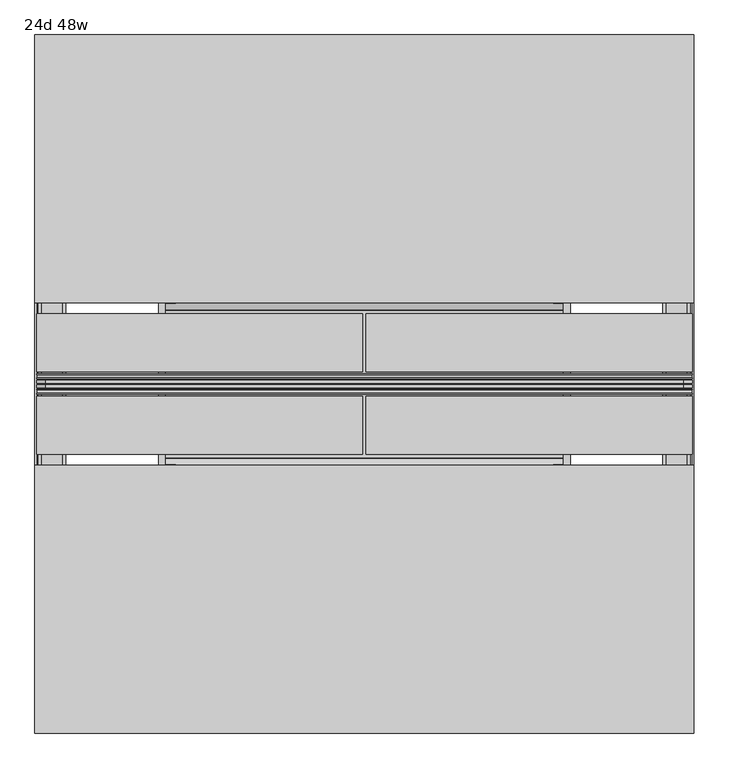
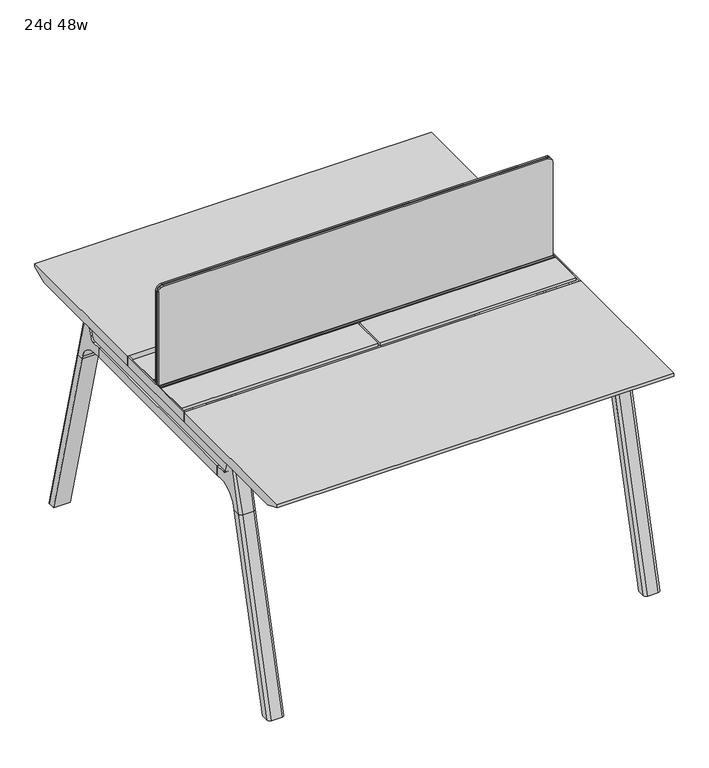
"""IFC4 building model written with IfcOpenShell, lengths in millimetres: furniture geometry, 24d 48w."""

from ifc_helpers import new_model, si_unit, point, frame, frame_2d, origin, place, context, project, spatial, polyline, circle_curve, ellipse_curve, trimmed, segment, composite_curve, outline, extrude, source, transform, mapped, element, save
from ifc_brep_helpers import plane_surface, cylinder_surface, revolved_surface, advanced_brep


def furniture_24d_48w_6e816f63(model_context):
    return source(origin(), model_context, "Body", "SolidModel", [
        extrude(outline(composite_curve([segment(polyline([(1054.89375, 803.275), (1054.89375, -371.475)]), True, "CONTINUOUS"), segment(trimmed(circle_curve(frame_2d((1039.01875, -371.475)), 15.875), [point((1054.89375, -371.475))], [point((1039.01875, -387.35))], False, "CARTESIAN"), True, "CONTINUOUS"), segment(polyline([(1039.01875, -387.35), (720.725, -387.35), (720.725, 819.15), (1039.01875, 819.15)]), True, "CONTINUOUS"), segment(trimmed(circle_curve(frame_2d((1039.01875, 803.275)), 15.875), [point((1039.01875, 819.15))], [point((1054.89375, 803.275))], False, "CARTESIAN"), True, "CONTINUOUS")], self_intersect=False)), frame((0.0, -201.3409766, 0.0), z_axis=(0.0, 1.0, 0.0), x_axis=(0.0, 0.0, 1.0)), (0.0, 0.0, 1.0), 3.175),
        extrude(outline(composite_curve([segment(polyline([(1058.06875, 806.45), (1058.06875, -374.65)]), True, "CONTINUOUS"), segment(trimmed(circle_curve(frame_2d((1042.19375, -374.65)), 15.875), [point((1058.06875, -374.65))], [point((1042.19375, -390.525))], False, "CARTESIAN"), True, "CONTINUOUS"), segment(polyline([(1042.19375, -390.525), (717.55, -390.525), (717.55, 822.325), (1042.19375, 822.325)]), True, "CONTINUOUS"), segment(trimmed(circle_curve(frame_2d((1042.19375, 806.45)), 15.875), [point((1042.19375, 822.325))], [point((1058.06875, 806.45))], False, "CARTESIAN"), True, "CONTINUOUS")], self_intersect=False)), frame((0.0, -198.1659766, 0.0), z_axis=(0.0, 1.0, 0.0), x_axis=(0.0, 0.0, 1.0)), (0.0, 0.0, 1.0), 5.55625),
        extrude(outline(composite_curve([segment(polyline([(1058.06875, 806.45), (1058.06875, -374.65)]), True, "CONTINUOUS"), segment(trimmed(circle_curve(frame_2d((1042.19375, -374.65)), 15.875), [point((1058.06875, -374.65))], [point((1042.19375, -390.525))], False, "CARTESIAN"), True, "CONTINUOUS"), segment(polyline([(1042.19375, -390.525), (717.55, -390.525), (717.55, 822.325), (1042.19375, 822.325)]), True, "CONTINUOUS"), segment(trimmed(circle_curve(frame_2d((1042.19375, 806.45)), 15.875), [point((1042.19375, 822.325))], [point((1058.06875, 806.45))], False, "CARTESIAN"), True, "CONTINUOUS")], self_intersect=False)), frame((0.0, -206.8972266, 0.0), z_axis=(0.0, 1.0, 0.0), x_axis=(0.0, 0.0, 1.0)), (0.0, 0.0, 1.0), 5.55625),
        extrude(outline(polyline([(-348.9784469, 559.4636683), (-364.040663, 627.7843353), (-35.4662901, 627.7843353), (-50.5285062, 559.4636683), (-46.7502281, 557.2647146), (-46.7502281, 549.3667827), (-62.6252238, 521.8704736), (-336.8817293, 521.8704736), (-352.756725, 549.3667827), (-352.756725, 557.2647146), (-348.9784469, 559.4636683)])), frame((584.2, 0.0, 0.0), z_axis=(1.0, 0.0, 0.0), x_axis=(0.0, 1.0, 0.0)), (0.0, 0.0, 1.0), 12.7),
        extrude(outline(polyline([(-348.9784469, 559.4636683), (-364.040663, 627.7843353), (-35.4662901, 627.7843353), (-50.5285062, 559.4636683), (-46.7502281, 557.2647146), (-46.7502281, 549.3667827), (-62.6252238, 521.8704736), (-336.8817293, 521.8704736), (-352.756725, 549.3667827), (-352.756725, 557.2647146), (-348.9784469, 559.4636683)])), frame((-165.1, 0.0, 0.0), z_axis=(1.0, 0.0, 0.0), x_axis=(0.0, 1.0, 0.0)), (0.0, 0.0, 1.0), 12.7),
        extrude(outline(polyline([(-18.0090763, 698.5), (3.7767266, 698.5), (3.7767266, 697.2935087), (-17.4495292, 697.2935087), (-19.0070753, 695.7359626), (-49.1186716, 559.1528512), (-50.5285062, 559.4636683), (-20.404074, 696.1050023), (-18.0090763, 698.5)])), frame((-165.1, 0.0, 0.0), z_axis=(1.0, 0.0, 0.0), x_axis=(0.0, 1.0, 0.0)), (0.0, 0.0, 1.0), 31.8008024),
        extrude(outline(polyline([(-381.4978768, 698.5), (-379.1028791, 696.1050023), (-348.9784469, 559.4636683), (-350.3882815, 559.1528512), (-380.4998778, 695.7359626), (-382.0574239, 697.2935087), (-403.2836797, 697.2935087), (-403.2836797, 698.5), (-381.4978768, 698.5)])), frame((-165.1, 0.0, 0.0), z_axis=(1.0, 0.0, 0.0), x_axis=(0.0, 1.0, 0.0)), (0.0, 0.0, 1.0), 31.8008024),
        extrude(outline(polyline([(-18.0090763, 698.5), (3.7767266, 698.5), (3.7767266, 697.2935087), (-17.4495292, 697.2935087), (-19.0070753, 695.7359626), (-49.1186716, 559.1528512), (-50.5285062, 559.4636683), (-20.404074, 696.1050023), (-18.0090763, 698.5)])), frame((565.0991976, 0.0, 0.0), z_axis=(1.0, 0.0, 0.0), x_axis=(0.0, 1.0, 0.0)), (0.0, 0.0, 1.0), 31.8008024),
        extrude(outline(polyline([(-381.4978768, 698.5), (-379.1028791, 696.1050023), (-348.9784469, 559.4636683), (-350.3882815, 559.1528512), (-380.4998778, 695.7359626), (-382.0574239, 697.2935087), (-403.2836797, 697.2935087), (-403.2836797, 698.5), (-381.4978768, 698.5)])), frame((565.0991976, 0.0, 0.0), z_axis=(1.0, 0.0, 0.0), x_axis=(0.0, 1.0, 0.0)), (0.0, 0.0, 1.0), 31.8008024),
        extrude(outline(polyline([(-353.550475, 557.5934966), (-351.518477, 559.6254947), (-350.957211, 559.0642287), (-352.756725, 557.2647146), (-352.756725, 549.3667827), (-352.5317745, 548.5272622), (-337.4390802, 522.3859395), (-336.0037101, 521.5572272), (-63.503243, 521.5572272), (-62.0678729, 522.3859395), (-46.9751786, 548.5272622), (-46.7502281, 549.3667827), (-46.7502281, 557.2647146), (-48.5497421, 559.0642287), (-47.9884761, 559.6254947), (-45.9564781, 557.5934966), (-45.9564781, 549.2622828), (-46.2355217, 548.2208856), (-61.4868074, 521.8048744), (-63.2905581, 520.7634772), (-336.216395, 520.7634772), (-338.0201457, 521.8048744), (-353.2714314, 548.2208856), (-353.550475, 549.2622828), (-353.550475, 557.5934966)])), frame((-165.0492037, 0.0, 0.0), z_axis=(1.0, 0.0, 0.0), x_axis=(0.0, 1.0, 0.0)), (0.0, 0.0, 1.0), 761.9492037),
        extrude(outline(polyline([(-218.8034766, 715.9625), (-218.8034766, 741.3625), (-217.2159766, 741.3625), (-217.2159766, 720.725), (-210.8659766, 720.725), (-210.8659766, 741.3625), (-209.2784766, 741.3625), (-209.2784766, 717.55), (-190.2284766, 717.55), (-190.2284766, 741.3625), (-188.6409766, 741.3625), (-188.6409766, 720.725), (-182.2909766, 720.725), (-182.2909766, 741.3625), (-180.7034766, 741.3625), (-180.7034766, 715.9625), (-218.8034766, 715.9625)])), frame((-390.525, 0.0, 0.0), z_axis=(1.0, 0.0, 0.0), x_axis=(0.0, 1.0, 0.0)), (0.0, 0.0, 1.0), 1212.85),
        extrude(outline(composite_curve([segment(polyline([(175.6902734, 711.2), (166.6321726, 677.3947076)]), True, "CONTINUOUS"), segment(trimmed(circle_curve(frame_2d((151.2981001, 681.5034599)), 15.875), [point((166.6321726, 677.3947076))], [point((151.2981001, 665.6284599))], False, "CARTESIAN"), True, "CONTINUOUS"), segment(polyline([(151.2981001, 665.6284599), (-550.8050533, 665.6284599)]), True, "CONTINUOUS"), segment(trimmed(circle_curve(frame_2d((-550.8050533, 681.5034599)), 15.875), [point((-550.8050533, 665.6284599))], [point((-566.1391258, 677.3947076))], False, "CARTESIAN"), True, "CONTINUOUS"), segment(polyline([(-566.1391258, 677.3947076), (-575.1972266, 711.2), (175.6902734, 711.2)]), True, "CONTINUOUS")], self_intersect=False)), frame((774.7, 0.0, 0.0), z_axis=(1.0, 0.0, 0.0), x_axis=(0.0, 1.0, 0.0)), (0.0, 0.0, 1.0), 38.1),
        extrude(outline(polyline([(819.15, 115.3652734), (819.15, -514.8722266), (768.35, -514.8722266), (768.35, 115.3652734), (819.15, 115.3652734)])), frame((0.0, 0.0, 635.6476591), z_axis=(0.0, 0.0, 1.0), x_axis=(1.0, 0.0, 0.0)), (0.0, 0.0, 1.0), 29.9808008),
        extrude(outline(composite_curve([segment(polyline([(175.6902734, 711.2), (166.6321726, 677.3947076)]), True, "CONTINUOUS"), segment(trimmed(circle_curve(frame_2d((151.2981001, 681.5034599)), 15.875), [point((166.6321726, 677.3947076))], [point((151.2981001, 665.6284599))], False, "CARTESIAN"), True, "CONTINUOUS"), segment(polyline([(151.2981001, 665.6284599), (-550.8050533, 665.6284599)]), True, "CONTINUOUS"), segment(trimmed(circle_curve(frame_2d((-550.8050533, 681.5034599)), 15.875), [point((-550.8050533, 665.6284599))], [point((-566.1391258, 677.3947076))], False, "CARTESIAN"), True, "CONTINUOUS"), segment(polyline([(-566.1391258, 677.3947076), (-575.1972266, 711.2), (175.6902734, 711.2)]), True, "CONTINUOUS")], self_intersect=False)), frame((-381.0, 0.0, 0.0), z_axis=(1.0, 0.0, 0.0), x_axis=(0.0, 1.0, 0.0)), (0.0, 0.0, 1.0), 38.1),
        extrude(outline(polyline([(-336.55, 115.3652734), (-336.55, -514.8722266), (-387.35, -514.8722266), (-387.35, 115.3652734), (-336.55, 115.3652734)])), frame((0.0, 0.0, 635.6476591), z_axis=(0.0, 0.0, 1.0), x_axis=(1.0, 0.0, 0.0)), (0.0, 0.0, 1.0), 29.9808008),
        advanced_brep(
        [(768.35, -568.8935553, 711.2), (768.35, -559.8354545, 677.3947076), (768.35, -544.501382, 665.6284599), (768.35, -514.8722266, 665.6284599), (768.35, -514.8722266, 635.6476591), (768.35, -537.7434588, 635.6476591), (768.35, -602.1465633, 586.2294189), (768.35, -604.7047754, 576.6820411), (768.35, -625.8087453, 576.6820411), (768.35, -590.3601017, 711.2), (819.15, -604.7047754, 576.6820411), (819.15, -602.1465633, 586.2294189), (819.15, -537.7434588, 635.6476591), (819.15, -514.8722266, 635.6476591), (819.15, -514.8722266, 665.6284599), (819.15, -544.501382, 665.6284599), (819.15, -559.8354545, 677.3947076), (819.15, -568.8935553, 711.2), (819.15, -590.3601017, 711.2), (819.15, -625.8087453, 576.6820411), (774.6138162, -599.6149462, 711.2), (812.8861838, -599.6149462, 711.2), (809.625, -635.6589247, 576.6820411), (777.875, -635.6589247, 576.6820411)],
        [
            (0, 1),
            (1, 2, circle_curve(frame((768.35, -544.501382, 681.5034599), z_axis=(1.0, 0.0, 0.0), x_axis=(0.0, -1.0, 0.0)), 15.875)),
            (2, 3),
            (3, 4),
            (4, 5),
            (5, 6, circle_curve(frame((768.35, -537.7434588, 568.9726591), z_axis=(1.0, 0.0, 0.0), x_axis=(0.0, -1.0, 0.0)), 66.675)),
            (6, 7),
            (7, 8),
            (8, 9),
            (9, 0),
            (10, 11),
            (11, 12, circle_curve(frame((819.15, -537.7434588, 568.9726591), z_axis=(-1.0, 0.0, 0.0), x_axis=(0.0, -1.0, 0.0)), 66.675)),
            (12, 13),
            (13, 14),
            (14, 15),
            (15, 16, circle_curve(frame((819.15, -544.501382, 681.5034599), z_axis=(-1.0, 0.0, 0.0), x_axis=(0.0, -1.0, 0.0)), 15.875)),
            (16, 17),
            (17, 18),
            (18, 19),
            (19, 10),
            (17, 0),
            (9, 20, ellipse_curve(frame((777.875, -590.3601017, 711.2), z_axis=(0.0, 0.0, 1.0), x_axis=(0.0, -1.0, 0.0)), 9.8501793, 9.525)),
            (20, 21),
            (21, 18, ellipse_curve(frame((809.625, -590.3601017, 711.2), z_axis=(0.0, 0.0, 1.0), x_axis=(0.0, -1.0, 0.0)), 9.8501793, 9.525)),
            (16, 1),
            (15, 2),
            (14, 3),
            (13, 4),
            (12, 5),
            (11, 6),
            (10, 7),
            (19, 22, ellipse_curve(frame((809.625, -625.8087453, 576.6820411), z_axis=(0.0, 0.0, -1.0), x_axis=(0.0, -1.0, 0.0)), 9.8501793, 9.525)),
            (22, 23),
            (23, 8, ellipse_curve(frame((777.875, -625.8087453, 576.6820411), z_axis=(0.0, 0.0, -1.0), x_axis=(0.0, -1.0, 0.0)), 9.8501793, 9.525)),
            (20, 23, ellipse_curve(frame((777.875, -39.2892106, 2802.3641142), z_axis=(0.0, -0.9659258262890684, 0.2588190451025206), x_axis=(0.0, -0.2588190451025206, -0.9659258262890684)), 2304.1956354, 9.525)),
            (22, 21, ellipse_curve(frame((809.625, -39.2892106, 2802.3641142), z_axis=(0.0, -0.9659258262890684, 0.2588190451025206), x_axis=(0.0, -0.2588190451025206, -0.9659258262890684)), 2304.1956354, 9.525)),
        ],
        [
            plane_surface(frame((768.35, -599.6149462, 711.2), z_axis=(-1.0, 0.0, 0.0), x_axis=(0.0, 1.0, 0.0))),
            plane_surface(frame((819.15, -599.6149462, 711.2), z_axis=(1.0, 0.0, 0.0), x_axis=(0.0, -1.0, 0.0))),
            plane_surface(frame((768.35, -599.6149462, 711.2), z_axis=(0.0, 0.0, 1.0), x_axis=(1.0, 0.0, 0.0))),
            plane_surface(frame((768.35, -568.8935553, 711.2), z_axis=(0.0, 0.9659258262890683, 0.2588190451025207), x_axis=(1.0, 0.0, 0.0))),
            revolved_surface(polyline([(819.15, -560.376382, 681.5034599), (768.35, -560.376382, 681.5034599)]), (819.15, -544.501382, 681.5034599), (1.0, 0.0, 0.0)),
            plane_surface(frame((768.35, -544.501382, 665.6284599), z_axis=(0.0, 0.0, 1.0), x_axis=(1.0, 0.0, 0.0))),
            plane_surface(frame((768.35, -514.8722266, 665.6284599), z_axis=(0.0, 1.0, 0.0), x_axis=(1.0, 0.0, 0.0))),
            plane_surface(frame((768.35, -514.8722266, 635.6476591), z_axis=(0.0, 0.0, -1.0), x_axis=(1.0, 0.0, 0.0))),
            revolved_surface(polyline([(819.15, -604.4184587999999, 568.9726591), (768.35, -604.4184587999999, 568.9726591)]), (819.15, -537.7434588, 568.9726591), (1.0, 0.0, 0.0)),
            plane_surface(frame((768.35, -602.1465633, 586.2294189), z_axis=(0.0, 0.9659258262890693, -0.25881904510251696), x_axis=(1.0, 0.0, 0.0))),
            plane_surface(frame((768.35, -604.7047754, 576.6820411), z_axis=(0.0, 0.0, -1.0), x_axis=(1.0, 0.0, 0.0))),
            plane_surface(frame((768.35, -635.6589247, 576.6820411), z_axis=(0.0, -0.9659258262890684, 0.2588190451025206), x_axis=(1.0, 0.0, 0.0))),
            cylinder_surface(frame((777.875, -778.4176402, -2.4271979), z_axis=(0.0, -0.25482392474081483, -0.966987470125486), x_axis=(1.0, 0.0, 0.0)), 9.525),
            cylinder_surface(frame((809.625, -778.4176402, -2.4271979), z_axis=(0.0, -0.25482392474081483, -0.966987470125486), x_axis=(1.0, 0.0, 0.0)), 9.525),
        ],
        [
            (0, [[1, 2, 3, 4, 5, 6, 7, 8, 9, 10]]),
            (1, [[11, 12, 13, 14, 15, 16, 17, 18, 19, 20]]),
            (2, [[21, -10, 22, 23, 24, -18]]),
            (3, [[-1, -21, -17, 25]]),
            (4, [[-2, -25, -16, 26]]),
            (5, [[-3, -26, -15, 27]]),
            (6, [[-4, -27, -14, 28]]),
            (7, [[-5, -28, -13, 29]]),
            (8, [[-6, -29, -12, 30]]),
            (9, [[-7, -30, -11, 31]]),
            (10, [[-31, -20, 32, 33, 34, -8]]),
            (11, [[-23, 35, -33, 36]]),
            (12, [[-9, -34, -35, -22]]),
            (13, [[-19, -24, -36, -32]]),
        ],
    ),
        advanced_brep(
        [(768.35, -604.7047754, 576.6820411), (768.35, -756.6740466, 0.0), (768.35, -777.7780165, 0.0), (768.35, -625.8087453, 576.6820411), (819.15, -756.6740466, 0.0), (819.15, -604.7047754, 576.6820411), (819.15, -625.8087453, 576.6820411), (819.15, -777.7780165, 0.0), (777.875, -635.6589247, 576.6820411), (809.625, -635.6589247, 576.6820411), (809.625, -787.6281958, 0.0), (777.875, -787.6281958, 0.0)],
        [
            (0, 1),
            (1, 2),
            (2, 3),
            (3, 0),
            (4, 5),
            (5, 6),
            (6, 7),
            (7, 4),
            (5, 0),
            (3, 8, ellipse_curve(frame((777.875, -625.8087453, 576.6820411), z_axis=(0.0, 0.0, 1.0), x_axis=(0.0, -1.0, 0.0)), 9.8501793, 9.525)),
            (8, 9),
            (9, 6, ellipse_curve(frame((809.625, -625.8087453, 576.6820411), z_axis=(0.0, 0.0, 1.0), x_axis=(0.0, -1.0, 0.0)), 9.8501793, 9.525)),
            (4, 1),
            (7, 10, ellipse_curve(frame((809.625, -777.7780165, 0.0), z_axis=(0.0, 0.0, -1.0), x_axis=(0.0, -1.0, 0.0)), 9.8501793, 9.525)),
            (10, 11),
            (11, 2, ellipse_curve(frame((777.875, -777.7780165, 0.0), z_axis=(0.0, 0.0, -1.0), x_axis=(0.0, -1.0, 0.0)), 9.8501793, 9.525)),
            (8, 11),
            (10, 9),
        ],
        [
            plane_surface(frame((768.35, -635.6589247, 576.6820411), z_axis=(-1.0, 0.0, 0.0), x_axis=(0.0, 1.0, 0.0))),
            plane_surface(frame((819.15, -635.6589247, 576.6820411), z_axis=(1.0, 0.0, 0.0), x_axis=(0.0, -1.0, 0.0))),
            plane_surface(frame((768.35, -635.6589247, 576.6820411), z_axis=(0.0, 0.0, 1.0), x_axis=(1.0, 0.0, 0.0))),
            plane_surface(frame((768.35, -604.7047754, 576.6820411), z_axis=(0.0, 0.9669874701254844, -0.2548239247408208), x_axis=(1.0, 0.0, 0.0))),
            plane_surface(frame((768.35, -756.6740466, 0.0), z_axis=(0.0, 0.0, -1.0), x_axis=(1.0, 0.0, 0.0))),
            plane_surface(frame((768.35, -787.6281958, 0.0), z_axis=(0.0, -0.9669874701254855, 0.2548239247408166), x_axis=(1.0, 0.0, 0.0))),
            cylinder_surface(frame((777.875, -778.4176402, -2.4271979), z_axis=(0.0, -0.25482392474081483, -0.966987470125486), x_axis=(1.0, 0.0, 0.0)), 9.525),
            cylinder_surface(frame((809.625, -778.4176402, -2.4271979), z_axis=(0.0, -0.25482392474081483, -0.966987470125486), x_axis=(1.0, 0.0, 0.0)), 9.525),
        ],
        [
            (0, [[1, 2, 3, 4]]),
            (1, [[5, 6, 7, 8]]),
            (2, [[9, -4, 10, 11, 12, -6]]),
            (3, [[-1, -9, -5, 13]]),
            (4, [[-13, -8, 14, 15, 16, -2]]),
            (5, [[-11, 17, -15, 18]]),
            (6, [[-3, -16, -17, -10]]),
            (7, [[-7, -12, -18, -14]]),
        ],
    ),
        advanced_brep(
        [(819.15, 169.3866022, 711.2), (819.15, 160.3285014, 677.3947076), (819.15, 144.9944289, 665.6284599), (819.15, 115.3652734, 665.6284599), (819.15, 115.3652734, 635.6476591), (819.15, 138.2365057, 635.6476591), (819.15, 202.6396101, 586.2294189), (819.15, 205.1978223, 576.6820411), (819.15, 226.3017922, 576.6820411), (819.15, 190.8531486, 711.2), (768.35, 205.1978223, 576.6820411), (768.35, 202.6396101, 586.2294189), (768.35, 138.2365057, 635.6476591), (768.35, 115.3652734, 635.6476591), (768.35, 115.3652734, 665.6284599), (768.35, 144.9944289, 665.6284599), (768.35, 160.3285014, 677.3947076), (768.35, 169.3866022, 711.2), (768.35, 190.8531486, 711.2), (768.35, 226.3017922, 576.6820411), (812.8861838, 200.1079931, 711.2), (774.6138162, 200.1079931, 711.2), (777.875, 236.1519716, 576.6820411), (809.625, 236.1519716, 576.6820411)],
        [
            (0, 1),
            (1, 2, circle_curve(frame((819.15, 144.9944289, 681.5034599), z_axis=(-1.0, 0.0, 0.0), x_axis=(0.0, 1.0, 0.0)), 15.875)),
            (2, 3),
            (3, 4),
            (4, 5),
            (5, 6, circle_curve(frame((819.15, 138.2365057, 568.9726591), z_axis=(-1.0, 0.0, 0.0), x_axis=(0.0, 1.0, 0.0)), 66.675)),
            (6, 7),
            (7, 8),
            (8, 9),
            (9, 0),
            (10, 11),
            (11, 12, circle_curve(frame((768.35, 138.2365057, 568.9726591), z_axis=(1.0, 0.0, 0.0), x_axis=(0.0, 1.0, 0.0)), 66.675)),
            (12, 13),
            (13, 14),
            (14, 15),
            (15, 16, circle_curve(frame((768.35, 144.9944289, 681.5034599), z_axis=(1.0, 0.0, 0.0), x_axis=(0.0, 1.0, 0.0)), 15.875)),
            (16, 17),
            (17, 18),
            (18, 19),
            (19, 10),
            (17, 0),
            (9, 20, ellipse_curve(frame((809.625, 190.8531486, 711.2), z_axis=(0.0, 0.0, 1.0), x_axis=(0.0, 1.0, 0.0)), 9.8501793, 9.525)),
            (20, 21),
            (21, 18, ellipse_curve(frame((777.875, 190.8531486, 711.2), z_axis=(0.0, 0.0, 1.0), x_axis=(0.0, 1.0, 0.0)), 9.8501793, 9.525)),
            (16, 1),
            (15, 2),
            (14, 3),
            (13, 4),
            (12, 5),
            (11, 6),
            (10, 7),
            (19, 22, ellipse_curve(frame((777.875, 226.3017922, 576.6820411), z_axis=(0.0, 0.0, -1.0), x_axis=(0.0, 1.0, 0.0)), 9.8501793, 9.525)),
            (22, 23),
            (23, 8, ellipse_curve(frame((809.625, 226.3017922, 576.6820411), z_axis=(0.0, 0.0, -1.0), x_axis=(0.0, 1.0, 0.0)), 9.8501793, 9.525)),
            (20, 23, ellipse_curve(frame((809.625, -360.2177425, 2802.3641142), z_axis=(0.0, 0.9659258262890684, 0.2588190451025206), x_axis=(0.0, 0.2588190451025206, -0.9659258262890684)), 2304.1956354, 9.525)),
            (22, 21, ellipse_curve(frame((777.875, -360.2177425, 2802.3641142), z_axis=(0.0, 0.9659258262890684, 0.2588190451025206), x_axis=(0.0, 0.2588190451025206, -0.9659258262890684)), 2304.1956354, 9.525)),
        ],
        [
            plane_surface(frame((819.15, 200.1079931, 711.2), z_axis=(1.0, 0.0, 0.0), x_axis=(0.0, -1.0, 0.0))),
            plane_surface(frame((768.35, 200.1079931, 711.2), z_axis=(-1.0, 0.0, 0.0), x_axis=(0.0, 1.0, 0.0))),
            plane_surface(frame((819.15, 200.1079931, 711.2), z_axis=(0.0, 0.0, 1.0), x_axis=(-1.0, 0.0, 0.0))),
            plane_surface(frame((819.15, 169.3866022, 711.2), z_axis=(0.0, -0.9659258262890683, 0.2588190451025207), x_axis=(-1.0, 0.0, 0.0))),
            revolved_surface(polyline([(768.35, 160.8694289, 681.5034599), (819.15, 160.8694289, 681.5034599)]), (768.35, 144.9944289, 681.5034599), (-1.0, 0.0, 0.0)),
            plane_surface(frame((819.15, 144.9944289, 665.6284599), z_axis=(0.0, 0.0, 1.0), x_axis=(-1.0, 0.0, 0.0))),
            plane_surface(frame((819.15, 115.3652734, 665.6284599), z_axis=(0.0, -1.0, 0.0), x_axis=(-1.0, 0.0, 0.0))),
            plane_surface(frame((819.15, 115.3652734, 635.6476591), z_axis=(0.0, 0.0, -1.0), x_axis=(-1.0, 0.0, 0.0))),
            revolved_surface(polyline([(768.35, 204.91150570000002, 568.9726591), (819.15, 204.91150570000002, 568.9726591)]), (768.35, 138.2365057, 568.9726591), (-1.0, 0.0, 0.0)),
            plane_surface(frame((819.15, 202.6396101, 586.2294189), z_axis=(0.0, -0.9659258262890693, -0.25881904510251696), x_axis=(-1.0, 0.0, 0.0))),
            plane_surface(frame((819.15, 205.1978223, 576.6820411), z_axis=(0.0, 0.0, -1.0), x_axis=(-1.0, 0.0, 0.0))),
            plane_surface(frame((819.15, 236.1519716, 576.6820411), z_axis=(0.0, 0.9659258262890684, 0.2588190451025206), x_axis=(-1.0, 0.0, 0.0))),
            cylinder_surface(frame((809.625, 378.9106871, -2.4271979), z_axis=(0.0, 0.25482392474081483, -0.966987470125486), x_axis=(-1.0, 0.0, 0.0)), 9.525),
            cylinder_surface(frame((777.875, 378.9106871, -2.4271979), z_axis=(0.0, 0.25482392474081483, -0.966987470125486), x_axis=(-1.0, 0.0, 0.0)), 9.525),
        ],
        [
            (0, [[1, 2, 3, 4, 5, 6, 7, 8, 9, 10]]),
            (1, [[11, 12, 13, 14, 15, 16, 17, 18, 19, 20]]),
            (2, [[21, -10, 22, 23, 24, -18]]),
            (3, [[-1, -21, -17, 25]]),
            (4, [[-2, -25, -16, 26]]),
            (5, [[-3, -26, -15, 27]]),
            (6, [[-4, -27, -14, 28]]),
            (7, [[-5, -28, -13, 29]]),
            (8, [[-6, -29, -12, 30]]),
            (9, [[-7, -30, -11, 31]]),
            (10, [[-31, -20, 32, 33, 34, -8]]),
            (11, [[-23, 35, -33, 36]]),
            (12, [[-9, -34, -35, -22]]),
            (13, [[-19, -24, -36, -32]]),
        ],
    ),
        advanced_brep(
        [(819.15, 205.1978223, 576.6820411), (819.15, 357.1670935, 0.0), (819.15, 378.2710634, 0.0), (819.15, 226.3017922, 576.6820411), (768.35, 357.1670935, 0.0), (768.35, 205.1978223, 576.6820411), (768.35, 226.3017922, 576.6820411), (768.35, 378.2710634, 0.0), (809.625, 236.1519716, 576.6820411), (777.875, 236.1519716, 576.6820411), (777.875, 388.1212427, 0.0), (809.625, 388.1212427, 0.0)],
        [
            (0, 1),
            (1, 2),
            (2, 3),
            (3, 0),
            (4, 5),
            (5, 6),
            (6, 7),
            (7, 4),
            (5, 0),
            (3, 8, ellipse_curve(frame((809.625, 226.3017922, 576.6820411), z_axis=(0.0, 0.0, 1.0), x_axis=(0.0, 1.0, 0.0)), 9.8501793, 9.525)),
            (8, 9),
            (9, 6, ellipse_curve(frame((777.875, 226.3017922, 576.6820411), z_axis=(0.0, 0.0, 1.0), x_axis=(0.0, 1.0, 0.0)), 9.8501793, 9.525)),
            (4, 1),
            (7, 10, ellipse_curve(frame((777.875, 378.2710634, 0.0), z_axis=(0.0, 0.0, -1.0), x_axis=(0.0, 1.0, 0.0)), 9.8501793, 9.525)),
            (10, 11),
            (11, 2, ellipse_curve(frame((809.625, 378.2710634, 0.0), z_axis=(0.0, 0.0, -1.0), x_axis=(0.0, 1.0, 0.0)), 9.8501793, 9.525)),
            (8, 11),
            (10, 9),
        ],
        [
            plane_surface(frame((819.15, 236.1519716, 576.6820411), z_axis=(1.0, 0.0, 0.0), x_axis=(0.0, -1.0, 0.0))),
            plane_surface(frame((768.35, 236.1519716, 576.6820411), z_axis=(-1.0, 0.0, 0.0), x_axis=(0.0, 1.0, 0.0))),
            plane_surface(frame((819.15, 236.1519716, 576.6820411), z_axis=(0.0, 0.0, 1.0), x_axis=(-1.0, 0.0, 0.0))),
            plane_surface(frame((819.15, 205.1978223, 576.6820411), z_axis=(0.0, -0.9669874701254844, -0.2548239247408208), x_axis=(-1.0, 0.0, 0.0))),
            plane_surface(frame((819.15, 357.1670935, 0.0), z_axis=(0.0, 0.0, -1.0), x_axis=(-1.0, 0.0, 0.0))),
            plane_surface(frame((819.15, 388.1212427, 0.0), z_axis=(0.0, 0.9669874701254855, 0.2548239247408166), x_axis=(-1.0, 0.0, 0.0))),
            cylinder_surface(frame((809.625, 378.9106871, -2.4271979), z_axis=(0.0, 0.25482392474081483, -0.966987470125486), x_axis=(-1.0, 0.0, 0.0)), 9.525),
            cylinder_surface(frame((777.875, 378.9106871, -2.4271979), z_axis=(0.0, 0.25482392474081483, -0.966987470125486), x_axis=(-1.0, 0.0, 0.0)), 9.525),
        ],
        [
            (0, [[1, 2, 3, 4]]),
            (1, [[5, 6, 7, 8]]),
            (2, [[9, -4, 10, 11, 12, -6]]),
            (3, [[-1, -9, -5, 13]]),
            (4, [[-13, -8, 14, 15, 16, -2]]),
            (5, [[-11, 17, -15, 18]]),
            (6, [[-3, -16, -17, -10]]),
            (7, [[-7, -12, -18, -14]]),
        ],
    ),
        advanced_brep(
        [(-336.55, 169.3866022, 711.2), (-336.55, 160.3285014, 677.3947076), (-336.55, 144.9944289, 665.6284599), (-336.55, 115.3652734, 665.6284599), (-336.55, 115.3652734, 635.6476591), (-336.55, 138.2365057, 635.6476591), (-336.55, 202.6396101, 586.2294189), (-336.55, 205.1978223, 576.6820411), (-336.55, 226.3017922, 576.6820411), (-336.55, 190.8531486, 711.2), (-387.35, 205.1978223, 576.6820411), (-387.35, 202.6396101, 586.2294189), (-387.35, 138.2365057, 635.6476591), (-387.35, 115.3652734, 635.6476591), (-387.35, 115.3652734, 665.6284599), (-387.35, 144.9944289, 665.6284599), (-387.35, 160.3285014, 677.3947076), (-387.35, 169.3866022, 711.2), (-387.35, 190.8531486, 711.2), (-387.35, 226.3017922, 576.6820411), (-342.8138162, 200.1079931, 711.2), (-381.0861838, 200.1079931, 711.2), (-377.825, 236.1519716, 576.6820411), (-346.075, 236.1519716, 576.6820411)],
        [
            (0, 1),
            (1, 2, circle_curve(frame((-336.55, 144.9944289, 681.5034599), z_axis=(-1.0, 0.0, 0.0), x_axis=(0.0, 1.0, 0.0)), 15.875)),
            (2, 3),
            (3, 4),
            (4, 5),
            (5, 6, circle_curve(frame((-336.55, 138.2365057, 568.9726591), z_axis=(-1.0, 0.0, 0.0), x_axis=(0.0, 1.0, 0.0)), 66.675)),
            (6, 7),
            (7, 8),
            (8, 9),
            (9, 0),
            (10, 11),
            (11, 12, circle_curve(frame((-387.35, 138.2365057, 568.9726591), z_axis=(1.0, 0.0, 0.0), x_axis=(0.0, 1.0, 0.0)), 66.675)),
            (12, 13),
            (13, 14),
            (14, 15),
            (15, 16, circle_curve(frame((-387.35, 144.9944289, 681.5034599), z_axis=(1.0, 0.0, 0.0), x_axis=(0.0, 1.0, 0.0)), 15.875)),
            (16, 17),
            (17, 18),
            (18, 19),
            (19, 10),
            (17, 0),
            (9, 20, ellipse_curve(frame((-346.075, 190.8531486, 711.2), z_axis=(0.0, 0.0, 1.0), x_axis=(0.0, 1.0, 0.0)), 9.8501793, 9.525)),
            (20, 21),
            (21, 18, ellipse_curve(frame((-377.825, 190.8531486, 711.2), z_axis=(0.0, 0.0, 1.0), x_axis=(0.0, 1.0, 0.0)), 9.8501793, 9.525)),
            (16, 1),
            (15, 2),
            (14, 3),
            (13, 4),
            (12, 5),
            (11, 6),
            (10, 7),
            (19, 22, ellipse_curve(frame((-377.825, 226.3017922, 576.6820411), z_axis=(0.0, 0.0, -1.0), x_axis=(0.0, 1.0, 0.0)), 9.8501793, 9.525)),
            (22, 23),
            (23, 8, ellipse_curve(frame((-346.075, 226.3017922, 576.6820411), z_axis=(0.0, 0.0, -1.0), x_axis=(0.0, 1.0, 0.0)), 9.8501793, 9.525)),
            (20, 23, ellipse_curve(frame((-346.075, -360.2177425, 2802.3641142), z_axis=(0.0, 0.9659258262890684, 0.2588190451025206), x_axis=(0.0, 0.2588190451025206, -0.9659258262890684)), 2304.1956354, 9.525)),
            (22, 21, ellipse_curve(frame((-377.825, -360.2177425, 2802.3641142), z_axis=(0.0, 0.9659258262890684, 0.2588190451025206), x_axis=(0.0, 0.2588190451025206, -0.9659258262890684)), 2304.1956354, 9.525)),
        ],
        [
            plane_surface(frame((-336.55, 200.1079931, 711.2), z_axis=(1.0, 0.0, 0.0), x_axis=(0.0, -1.0, 0.0))),
            plane_surface(frame((-387.35, 200.1079931, 711.2), z_axis=(-1.0, 0.0, 0.0), x_axis=(0.0, 1.0, 0.0))),
            plane_surface(frame((-336.55, 200.1079931, 711.2), z_axis=(0.0, 0.0, 1.0), x_axis=(-1.0, 0.0, 0.0))),
            plane_surface(frame((-336.55, 169.3866022, 711.2), z_axis=(0.0, -0.9659258262890683, 0.2588190451025207), x_axis=(-1.0, 0.0, 0.0))),
            revolved_surface(polyline([(-387.35, 160.8694289, 681.5034599), (-336.55, 160.8694289, 681.5034599)]), (-387.35, 144.9944289, 681.5034599), (-1.0, 0.0, 0.0)),
            plane_surface(frame((-336.55, 144.9944289, 665.6284599), z_axis=(0.0, 0.0, 1.0), x_axis=(-1.0, 0.0, 0.0))),
            plane_surface(frame((-336.55, 115.3652734, 665.6284599), z_axis=(0.0, -1.0, 0.0), x_axis=(-1.0, 0.0, 0.0))),
            plane_surface(frame((-336.55, 115.3652734, 635.6476591), z_axis=(0.0, 0.0, -1.0), x_axis=(-1.0, 0.0, 0.0))),
            revolved_surface(polyline([(-387.35, 204.91150570000002, 568.9726591), (-336.55, 204.91150570000002, 568.9726591)]), (-387.35, 138.2365057, 568.9726591), (-1.0, 0.0, 0.0)),
            plane_surface(frame((-336.55, 202.6396101, 586.2294189), z_axis=(0.0, -0.9659258262890693, -0.25881904510251696), x_axis=(-1.0, 0.0, 0.0))),
            plane_surface(frame((-336.55, 205.1978223, 576.6820411), z_axis=(0.0, 0.0, -1.0), x_axis=(-1.0, 0.0, 0.0))),
            plane_surface(frame((-336.55, 236.1519716, 576.6820411), z_axis=(0.0, 0.9659258262890684, 0.2588190451025206), x_axis=(-1.0, 0.0, 0.0))),
            cylinder_surface(frame((-346.075, 378.9106871, -2.4271979), z_axis=(0.0, 0.25482392474081483, -0.966987470125486), x_axis=(-1.0, 0.0, 0.0)), 9.525),
            cylinder_surface(frame((-377.825, 378.9106871, -2.4271979), z_axis=(0.0, 0.25482392474081483, -0.966987470125486), x_axis=(-1.0, 0.0, 0.0)), 9.525),
        ],
        [
            (0, [[1, 2, 3, 4, 5, 6, 7, 8, 9, 10]]),
            (1, [[11, 12, 13, 14, 15, 16, 17, 18, 19, 20]]),
            (2, [[21, -10, 22, 23, 24, -18]]),
            (3, [[-1, -21, -17, 25]]),
            (4, [[-2, -25, -16, 26]]),
            (5, [[-3, -26, -15, 27]]),
            (6, [[-4, -27, -14, 28]]),
            (7, [[-5, -28, -13, 29]]),
            (8, [[-6, -29, -12, 30]]),
            (9, [[-7, -30, -11, 31]]),
            (10, [[-31, -20, 32, 33, 34, -8]]),
            (11, [[-23, 35, -33, 36]]),
            (12, [[-9, -34, -35, -22]]),
            (13, [[-19, -24, -36, -32]]),
        ],
    ),
        advanced_brep(
        [(-336.55, 205.1978223, 576.6820411), (-336.55, 357.1670935, 0.0), (-336.55, 378.2710634, 0.0), (-336.55, 226.3017922, 576.6820411), (-387.35, 357.1670935, 0.0), (-387.35, 205.1978223, 576.6820411), (-387.35, 226.3017922, 576.6820411), (-387.35, 378.2710634, 0.0), (-346.075, 236.1519716, 576.6820411), (-377.825, 236.1519716, 576.6820411), (-377.825, 388.1212427, 0.0), (-346.075, 388.1212427, 0.0)],
        [
            (0, 1),
            (1, 2),
            (2, 3),
            (3, 0),
            (4, 5),
            (5, 6),
            (6, 7),
            (7, 4),
            (5, 0),
            (3, 8, ellipse_curve(frame((-346.075, 226.3017922, 576.6820411), z_axis=(0.0, 0.0, 1.0), x_axis=(0.0, 1.0, 0.0)), 9.8501793, 9.525)),
            (8, 9),
            (9, 6, ellipse_curve(frame((-377.825, 226.3017922, 576.6820411), z_axis=(0.0, 0.0, 1.0), x_axis=(0.0, 1.0, 0.0)), 9.8501793, 9.525)),
            (4, 1),
            (7, 10, ellipse_curve(frame((-377.825, 378.2710634, 0.0), z_axis=(0.0, 0.0, -1.0), x_axis=(0.0, 1.0, 0.0)), 9.8501793, 9.525)),
            (10, 11),
            (11, 2, ellipse_curve(frame((-346.075, 378.2710634, 0.0), z_axis=(0.0, 0.0, -1.0), x_axis=(0.0, 1.0, 0.0)), 9.8501793, 9.525)),
            (8, 11),
            (10, 9),
        ],
        [
            plane_surface(frame((-336.55, 236.1519716, 576.6820411), z_axis=(1.0, 0.0, 0.0), x_axis=(0.0, -1.0, 0.0))),
            plane_surface(frame((-387.35, 236.1519716, 576.6820411), z_axis=(-1.0, 0.0, 0.0), x_axis=(0.0, 1.0, 0.0))),
            plane_surface(frame((-336.55, 236.1519716, 576.6820411), z_axis=(0.0, 0.0, 1.0), x_axis=(-1.0, 0.0, 0.0))),
            plane_surface(frame((-336.55, 205.1978223, 576.6820411), z_axis=(0.0, -0.9669874701254844, -0.2548239247408208), x_axis=(-1.0, 0.0, 0.0))),
            plane_surface(frame((-336.55, 357.1670935, 0.0), z_axis=(0.0, 0.0, -1.0), x_axis=(-1.0, 0.0, 0.0))),
            plane_surface(frame((-336.55, 388.1212427, 0.0), z_axis=(0.0, 0.9669874701254855, 0.2548239247408166), x_axis=(-1.0, 0.0, 0.0))),
            cylinder_surface(frame((-346.075, 378.9106871, -2.4271979), z_axis=(0.0, 0.25482392474081483, -0.966987470125486), x_axis=(-1.0, 0.0, 0.0)), 9.525),
            cylinder_surface(frame((-377.825, 378.9106871, -2.4271979), z_axis=(0.0, 0.25482392474081483, -0.966987470125486), x_axis=(-1.0, 0.0, 0.0)), 9.525),
        ],
        [
            (0, [[1, 2, 3, 4]]),
            (1, [[5, 6, 7, 8]]),
            (2, [[9, -4, 10, 11, 12, -6]]),
            (3, [[-1, -9, -5, 13]]),
            (4, [[-13, -8, 14, 15, 16, -2]]),
            (5, [[-11, 17, -15, 18]]),
            (6, [[-3, -16, -17, -10]]),
            (7, [[-7, -12, -18, -14]]),
        ],
    ),
        advanced_brep(
        [(-387.35, -568.8935553, 711.2), (-387.35, -559.8354545, 677.3947076), (-387.35, -544.501382, 665.6284599), (-387.35, -514.8722266, 665.6284599), (-387.35, -514.8722266, 635.6476591), (-387.35, -537.7434588, 635.6476591), (-387.35, -602.1465633, 586.2294189), (-387.35, -604.7047754, 576.6820411), (-387.35, -625.8087453, 576.6820411), (-387.35, -590.3601017, 711.2), (-336.55, -604.7047754, 576.6820411), (-336.55, -602.1465633, 586.2294189), (-336.55, -537.7434588, 635.6476591), (-336.55, -514.8722266, 635.6476591), (-336.55, -514.8722266, 665.6284599), (-336.55, -544.501382, 665.6284599), (-336.55, -559.8354545, 677.3947076), (-336.55, -568.8935553, 711.2), (-336.55, -590.3601017, 711.2), (-336.55, -625.8087453, 576.6820411), (-381.0861838, -599.6149462, 711.2), (-342.8138162, -599.6149462, 711.2), (-346.075, -635.6589247, 576.6820411), (-377.825, -635.6589247, 576.6820411)],
        [
            (0, 1),
            (1, 2, circle_curve(frame((-387.35, -544.501382, 681.5034599), z_axis=(1.0, 0.0, 0.0), x_axis=(0.0, -1.0, 0.0)), 15.875)),
            (2, 3),
            (3, 4),
            (4, 5),
            (5, 6, circle_curve(frame((-387.35, -537.7434588, 568.9726591), z_axis=(1.0, 0.0, 0.0), x_axis=(0.0, -1.0, 0.0)), 66.675)),
            (6, 7),
            (7, 8),
            (8, 9),
            (9, 0),
            (10, 11),
            (11, 12, circle_curve(frame((-336.55, -537.7434588, 568.9726591), z_axis=(-1.0, 0.0, 0.0), x_axis=(0.0, -1.0, 0.0)), 66.675)),
            (12, 13),
            (13, 14),
            (14, 15),
            (15, 16, circle_curve(frame((-336.55, -544.501382, 681.5034599), z_axis=(-1.0, 0.0, 0.0), x_axis=(0.0, -1.0, 0.0)), 15.875)),
            (16, 17),
            (17, 18),
            (18, 19),
            (19, 10),
            (17, 0),
            (9, 20, ellipse_curve(frame((-377.825, -590.3601017, 711.2), z_axis=(0.0, 0.0, 1.0), x_axis=(0.0, -1.0, 0.0)), 9.8501793, 9.525)),
            (20, 21),
            (21, 18, ellipse_curve(frame((-346.075, -590.3601017, 711.2), z_axis=(0.0, 0.0, 1.0), x_axis=(0.0, -1.0, 0.0)), 9.8501793, 9.525)),
            (16, 1),
            (15, 2),
            (14, 3),
            (13, 4),
            (12, 5),
            (11, 6),
            (10, 7),
            (19, 22, ellipse_curve(frame((-346.075, -625.8087453, 576.6820411), z_axis=(0.0, 0.0, -1.0), x_axis=(0.0, -1.0, 0.0)), 9.8501793, 9.525)),
            (22, 23),
            (23, 8, ellipse_curve(frame((-377.825, -625.8087453, 576.6820411), z_axis=(0.0, 0.0, -1.0), x_axis=(0.0, -1.0, 0.0)), 9.8501793, 9.525)),
            (20, 23, ellipse_curve(frame((-377.825, -39.2892106, 2802.3641142), z_axis=(0.0, -0.9659258262890684, 0.2588190451025206), x_axis=(0.0, -0.2588190451025206, -0.9659258262890684)), 2304.1956354, 9.525)),
            (22, 21, ellipse_curve(frame((-346.075, -39.2892106, 2802.3641142), z_axis=(0.0, -0.9659258262890684, 0.2588190451025206), x_axis=(0.0, -0.2588190451025206, -0.9659258262890684)), 2304.1956354, 9.525)),
        ],
        [
            plane_surface(frame((-387.35, -599.6149462, 711.2), z_axis=(-1.0, 0.0, 0.0), x_axis=(0.0, 1.0, 0.0))),
            plane_surface(frame((-336.55, -599.6149462, 711.2), z_axis=(1.0, 0.0, 0.0), x_axis=(0.0, -1.0, 0.0))),
            plane_surface(frame((-387.35, -599.6149462, 711.2), z_axis=(0.0, 0.0, 1.0), x_axis=(1.0, 0.0, 0.0))),
            plane_surface(frame((-387.35, -568.8935553, 711.2), z_axis=(0.0, 0.9659258262890683, 0.2588190451025207), x_axis=(1.0, 0.0, 0.0))),
            revolved_surface(polyline([(-336.55, -560.376382, 681.5034599), (-387.35, -560.376382, 681.5034599)]), (-336.55, -544.501382, 681.5034599), (1.0, 0.0, 0.0)),
            plane_surface(frame((-387.35, -544.501382, 665.6284599), z_axis=(0.0, 0.0, 1.0), x_axis=(1.0, 0.0, 0.0))),
            plane_surface(frame((-387.35, -514.8722266, 665.6284599), z_axis=(0.0, 1.0, 0.0), x_axis=(1.0, 0.0, 0.0))),
            plane_surface(frame((-387.35, -514.8722266, 635.6476591), z_axis=(0.0, 0.0, -1.0), x_axis=(1.0, 0.0, 0.0))),
            revolved_surface(polyline([(-336.55, -604.4184587999999, 568.9726591), (-387.35, -604.4184587999999, 568.9726591)]), (-336.55, -537.7434588, 568.9726591), (1.0, 0.0, 0.0)),
            plane_surface(frame((-387.35, -602.1465633, 586.2294189), z_axis=(0.0, 0.9659258262890693, -0.25881904510251696), x_axis=(1.0, 0.0, 0.0))),
            plane_surface(frame((-387.35, -604.7047754, 576.6820411), z_axis=(0.0, 0.0, -1.0), x_axis=(1.0, 0.0, 0.0))),
            plane_surface(frame((-387.35, -635.6589247, 576.6820411), z_axis=(0.0, -0.9659258262890684, 0.2588190451025206), x_axis=(1.0, 0.0, 0.0))),
            cylinder_surface(frame((-377.825, -778.4176402, -2.4271979), z_axis=(0.0, -0.25482392474081483, -0.966987470125486), x_axis=(1.0, 0.0, 0.0)), 9.525),
            cylinder_surface(frame((-346.075, -778.4176402, -2.4271979), z_axis=(0.0, -0.25482392474081483, -0.966987470125486), x_axis=(1.0, 0.0, 0.0)), 9.525),
        ],
        [
            (0, [[1, 2, 3, 4, 5, 6, 7, 8, 9, 10]]),
            (1, [[11, 12, 13, 14, 15, 16, 17, 18, 19, 20]]),
            (2, [[21, -10, 22, 23, 24, -18]]),
            (3, [[-1, -21, -17, 25]]),
            (4, [[-2, -25, -16, 26]]),
            (5, [[-3, -26, -15, 27]]),
            (6, [[-4, -27, -14, 28]]),
            (7, [[-5, -28, -13, 29]]),
            (8, [[-6, -29, -12, 30]]),
            (9, [[-7, -30, -11, 31]]),
            (10, [[-31, -20, 32, 33, 34, -8]]),
            (11, [[-23, 35, -33, 36]]),
            (12, [[-9, -34, -35, -22]]),
            (13, [[-19, -24, -36, -32]]),
        ],
    ),
        advanced_brep(
        [(-387.35, -604.7047754, 576.6820411), (-387.35, -756.6740466, 0.0), (-387.35, -777.7780165, 0.0), (-387.35, -625.8087453, 576.6820411), (-336.55, -756.6740466, 0.0), (-336.55, -604.7047754, 576.6820411), (-336.55, -625.8087453, 576.6820411), (-336.55, -777.7780165, 0.0), (-377.825, -635.6589247, 576.6820411), (-346.075, -635.6589247, 576.6820411), (-346.075, -787.6281958, 0.0), (-377.825, -787.6281958, 0.0)],
        [
            (0, 1),
            (1, 2),
            (2, 3),
            (3, 0),
            (4, 5),
            (5, 6),
            (6, 7),
            (7, 4),
            (5, 0),
            (3, 8, ellipse_curve(frame((-377.825, -625.8087453, 576.6820411), z_axis=(0.0, 0.0, 1.0), x_axis=(0.0, -1.0, 0.0)), 9.8501793, 9.525)),
            (8, 9),
            (9, 6, ellipse_curve(frame((-346.075, -625.8087453, 576.6820411), z_axis=(0.0, 0.0, 1.0), x_axis=(0.0, -1.0, 0.0)), 9.8501793, 9.525)),
            (4, 1),
            (7, 10, ellipse_curve(frame((-346.075, -777.7780165, 0.0), z_axis=(0.0, 0.0, -1.0), x_axis=(0.0, -1.0, 0.0)), 9.8501793, 9.525)),
            (10, 11),
            (11, 2, ellipse_curve(frame((-377.825, -777.7780165, 0.0), z_axis=(0.0, 0.0, -1.0), x_axis=(0.0, -1.0, 0.0)), 9.8501793, 9.525)),
            (8, 11),
            (10, 9),
        ],
        [
            plane_surface(frame((-387.35, -635.6589247, 576.6820411), z_axis=(-1.0, 0.0, 0.0), x_axis=(0.0, 1.0, 0.0))),
            plane_surface(frame((-336.55, -635.6589247, 576.6820411), z_axis=(1.0, 0.0, 0.0), x_axis=(0.0, -1.0, 0.0))),
            plane_surface(frame((-387.35, -635.6589247, 576.6820411), z_axis=(0.0, 0.0, 1.0), x_axis=(1.0, 0.0, 0.0))),
            plane_surface(frame((-387.35, -604.7047754, 576.6820411), z_axis=(0.0, 0.9669874701254844, -0.2548239247408208), x_axis=(1.0, 0.0, 0.0))),
            plane_surface(frame((-387.35, -756.6740466, 0.0), z_axis=(0.0, 0.0, -1.0), x_axis=(1.0, 0.0, 0.0))),
            plane_surface(frame((-387.35, -787.6281958, 0.0), z_axis=(0.0, -0.9669874701254855, 0.2548239247408166), x_axis=(1.0, 0.0, 0.0))),
            cylinder_surface(frame((-377.825, -778.4176402, -2.4271979), z_axis=(0.0, -0.25482392474081483, -0.966987470125486), x_axis=(1.0, 0.0, 0.0)), 9.525),
            cylinder_surface(frame((-346.075, -778.4176402, -2.4271979), z_axis=(0.0, -0.25482392474081483, -0.966987470125486), x_axis=(1.0, 0.0, 0.0)), 9.525),
        ],
        [
            (0, [[1, 2, 3, 4]]),
            (1, [[5, 6, 7, 8]]),
            (2, [[9, -4, 10, 11, 12, -6]]),
            (3, [[-1, -9, -5, 13]]),
            (4, [[-13, -8, 14, 15, 16, -2]]),
            (5, [[-11, 17, -15, 18]]),
            (6, [[-3, -16, -17, -10]]),
            (7, [[-7, -12, -18, -14]]),
        ],
    ),
        extrude(outline(polyline([(-49.7347266, 741.3625), (445.5652734, 741.3625), (445.5652734, 731.8375), (394.7652734, 711.2), (-49.7347266, 711.2), (-49.7347266, 741.3625)])), frame((-393.7, 0.0, 0.0), z_axis=(1.0, 0.0, 0.0), x_axis=(0.0, 1.0, 0.0)), (0.0, 0.0, 1.0), 1219.2),
        extrude(outline(polyline([(-845.0722266, 741.3625), (-349.7722266, 741.3625), (-349.7722266, 711.2), (-794.2722266, 711.2), (-845.0722266, 731.8375), (-845.0722266, 741.3625)])), frame((-393.7, 0.0, 0.0), z_axis=(1.0, 0.0, 0.0), x_axis=(0.0, 1.0, 0.0)), (0.0, 0.0, 1.0), 1219.2),
        extrude(outline(polyline([(212.725, -69.5784766), (212.725, -177.5284766), (-390.525, -177.5284766), (-390.525, -69.5784766), (212.725, -69.5784766)])), frame((0.0, 0.0, 731.8375), z_axis=(0.0, 0.0, 1.0), x_axis=(1.0, 0.0, 0.0)), (0.0, 0.0, 1.0), 9.525),
        extrude(outline(polyline([(212.725, -221.9784766), (212.725, -329.9284766), (-390.525, -329.9284766), (-390.525, -221.9784766), (212.725, -221.9784766)])), frame((0.0, 0.0, 731.8375), z_axis=(0.0, 0.0, 1.0), x_axis=(1.0, 0.0, 0.0)), (0.0, 0.0, 1.0), 9.525),
        extrude(outline(polyline([(822.325, -69.5784766), (822.325, -177.5284766), (219.075, -177.5284766), (219.075, -69.5784766), (822.325, -69.5784766)])), frame((0.0, 0.0, 731.8375), z_axis=(0.0, 0.0, 1.0), x_axis=(1.0, 0.0, 0.0)), (0.0, 0.0, 1.0), 9.525),
        extrude(outline(polyline([(822.325, -221.9784766), (822.325, -329.9284766), (219.075, -329.9284766), (219.075, -221.9784766), (822.325, -221.9784766)])), frame((0.0, 0.0, 731.8375), z_axis=(0.0, 0.0, 1.0), x_axis=(1.0, 0.0, 0.0)), (0.0, 0.0, 1.0), 9.525),
        extrude(outline(polyline([(768.35, 9.7965234), (768.35, -21.9534766), (-336.55, -21.9534766), (-336.55, 9.7965234), (768.35, 9.7965234)])), frame((0.0, 0.0, 646.1125), z_axis=(0.0, 0.0, 1.0), x_axis=(1.0, 0.0, 0.0)), (0.0, 0.0, 1.0), 50.8),
        extrude(outline(polyline([(768.35, -377.5534766), (768.35, -409.3034766), (-336.55, -409.3034766), (-336.55, -377.5534766), (768.35, -377.5534766)])), frame((0.0, 0.0, 646.1125), z_axis=(0.0, 0.0, 1.0), x_axis=(1.0, 0.0, 0.0)), (0.0, 0.0, 1.0), 50.8),
        extrude(outline(polyline([(825.5, -49.7347266), (825.5, -349.7722266), (822.325, -349.7722266), (822.325, -49.7347266), (825.5, -49.7347266)])), frame((0.0, 0.0, 711.2), z_axis=(0.0, 0.0, 1.0), x_axis=(1.0, 0.0, 0.0)), (0.0, 0.0, 1.0), 30.1625),
        extrude(outline(polyline([(-390.525, -49.7347266), (-390.525, -349.7722266), (-393.7, -349.7722266), (-393.7, -49.7347266), (-390.525, -49.7347266)])), frame((0.0, 0.0, 711.2), z_axis=(0.0, 0.0, 1.0), x_axis=(1.0, 0.0, 0.0)), (0.0, 0.0, 1.0), 30.1625),
    ])


if __name__ == "__main__":
    model = new_model("IFC4")
    model_context = context("Model", 3, world=origin())
    ifc_project = project(units=[si_unit("LENGTHUNIT", "METRE", prefix="MILLI")], contexts=[model_context])
    site = spatial("IfcSite", under=ifc_project)
    building = spatial("IfcBuilding", under=site)
    placement = place(None, origin())
    furniture_24d_48w_shape = furniture_24d_48w_6e816f63(model_context)
    element("IfcFurniture", 1, ObjectType="24d 48w", at=placement, inside=building, context=model_context, shape_type="MappedRepresentation", body=[
        mapped(furniture_24d_48w_shape, transform((0.0, 0.0, 0.0), x_axis=(1.0, 0.0, 0.0), y_axis=(0.0, 1.0, 0.0), z_axis=(0.0, 0.0, 1.0))),
    ])
    save(model, "model.ifc")
